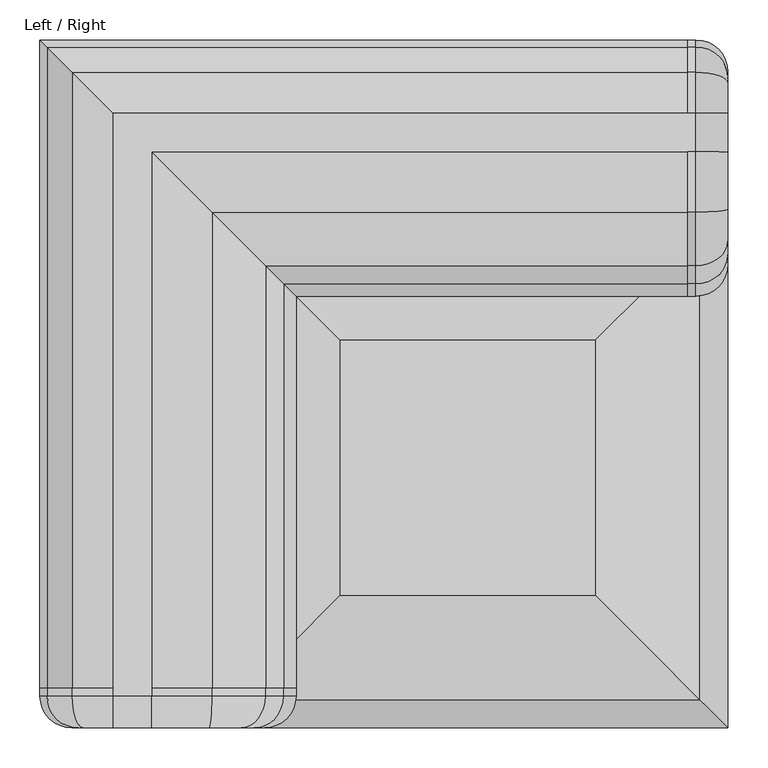
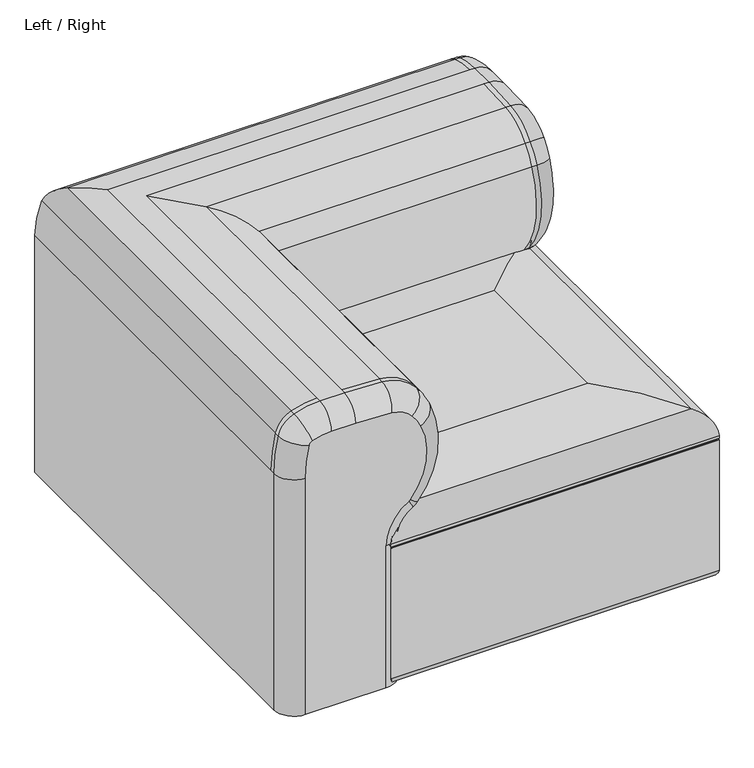
"""IFC4 building model written with IfcOpenShell, lengths in millimetres: furniture geometry, Left / Right."""

from ifc_helpers import new_model, si_unit, point, frame, frame_2d, origin, origin_with_axes, place, context, project, spatial, polyline, circle_curve, ellipse_curve, trimmed, segment, composite_curve, outline, extrude, source, transform, mapped, element, save
from ifc_brep_helpers import plane_surface, cylinder_surface, revolved_surface, advanced_brep


def left_right_24a7d9b7(model_context):
    return source(origin(), model_context, "Body", "SolidModel", [
        advanced_brep(
        [(860.0, -200.0, 25.0), (820.0, -240.0, 25.0), (240.0, -240.0, 25.0), (240.0, -820.0, 25.0), (200.0, -860.0, 25.0), (40.0, -860.0, 25.0), (0.0, -820.0, 25.0), (0.0, 0.0, 25.0), (820.0, 0.0, 25.0), (860.0, -40.0, 25.0), (860.0, -40.0, 520.0971421), (860.0, -47.7883578, 586.2689292), (860.0, -54.0888011, 593.3418233), (860.0, -91.7778918, 600.0), (860.0, -140.0193513, 600.0), (860.0, -211.4230155, 596.6382998), (860.0, -251.5115397, 575.7516627), (860.0, -268.1557528, 549.3060382), (860.0, -247.5141046, 402.315325), (860.0, -244.8690097, 400.0923137), (860.0, -200.0, 322.2258016), (820.0, -240.0, 322.2258016), (810.0, -240.0, 322.2258016), (240.0, -240.0, 322.2258016), (820.0, -264.9272276, 365.484975), (810.0, -264.9272276, 365.484975), (820.0, -278.1527024, 376.6000313), (810.0, -278.1527024, 376.6000313), (820.0, -304.6919644, 565.5880912), (810.0, -304.6919644, 565.5880912), (820.0, -281.99531, 601.6503064), (810.0, -281.99531, 601.6503064), (820.0, -215.1811031, 636.4613682), (810.0, -215.1811031, 636.4613682), (820.0, -140.0193513, 640.0), (810.0, -140.0193513, 640.0), (820.0, -91.7778918, 640.0), (810.0, -91.7778918, 640.0), (91.7778918, -91.7778918, 640.0), (91.7778918, -810.0, 640.0), (91.7778918, -820.0, 640.0), (140.0193513, -820.0, 640.0), (140.0193513, -810.0, 640.0), (140.0193513, -140.0193513, 640.0), (820.0, -40.3836772, 630.9206681), (810.0, -40.3836772, 630.9206681), (820.0, -8.8814606, 595.5561976), (810.0, -8.8814606, 595.5561976), (820.0, 0.0, 520.0971421), (810.0, 0.0, 520.0971421), (0.0, 0.0, 520.0971421), (8.8814606, -8.8814606, 595.5561976), (40.3836772, -40.3836772, 630.9206681), (215.1811031, -215.1811031, 636.4613682), (281.99531, -281.99531, 601.6503064), (304.6919644, -304.6919644, 565.5880912), (278.1527024, -278.1527024, 376.6000313), (264.9272276, -264.9272276, 365.484975), (0.0, -820.0, 520.0971421), (0.0, -810.0, 520.0971421), (8.8814606, -810.0, 595.5561976), (40.3836772, -810.0, 630.9206681), (215.1811031, -810.0, 636.4613682), (281.99531, -810.0, 601.6503064), (304.6919644, -810.0, 565.5880912), (278.1527024, -810.0, 376.6000313), (264.9272276, -810.0, 365.484975), (240.0, -810.0, 322.2258016), (240.0, -820.0, 322.2258016), (200.0, -860.0, 322.2258016), (244.8690097, -860.0, 400.0923137), (247.5141046, -860.0, 402.315325), (268.1557528, -860.0, 549.3060382), (251.5115397, -860.0, 575.7516627), (211.4230155, -860.0, 596.6382998), (140.0193513, -860.0, 600.0), (91.7778918, -860.0, 600.0), (54.0888011, -860.0, 593.3418233), (47.7883578, -860.0, 586.2689292), (40.0, -860.0, 520.0971421), (264.9272276, -820.0, 365.484975), (278.1527024, -820.0, 376.6000313), (304.6919644, -820.0, 565.5880912), (281.99531, -820.0, 601.6503064), (215.1811031, -820.0, 636.4613682), (40.3836772, -820.0, 630.9206681), (8.8814606, -820.0, 595.5561976)],
        [
            (0, 1, circle_curve(frame((820.0, -200.0, 25.0), z_axis=(0.0, 0.0, -1.0), x_axis=(1.0, 0.0, 0.0)), 40.0)),
            (1, 2),
            (2, 3),
            (3, 4, circle_curve(frame((200.0, -820.0, 25.0), z_axis=(0.0, 0.0, -1.0), x_axis=(0.0, -1.0, 0.0)), 40.0)),
            (4, 5),
            (5, 6, circle_curve(frame((40.0, -820.0, 25.0), z_axis=(0.0, 0.0, -1.0), x_axis=(0.0, -1.0, 0.0)), 40.0)),
            (6, 7),
            (7, 8),
            (8, 9, circle_curve(frame((820.0, -40.0, 25.0), z_axis=(0.0, 0.0, -1.0), x_axis=(1.0, 0.0, 0.0)), 40.0)),
            (9, 0),
            (9, 10),
            (10, 11, circle_curve(frame((860.0, -325.0, 520.0971421), z_axis=(1.0, 0.0, 0.0), x_axis=(0.0, 0.9726724288891785, 0.23218170918232572)), 285.0)),
            (11, 12, circle_curve(frame((860.0, -57.5150821, 583.9471121), z_axis=(1.0, 0.0, 0.0), x_axis=(0.0, 0.3426280969648097, 0.9394711209879061)), 10.0)),
            (12, 13, circle_curve(frame((860.0, -91.7778918, 490.0), z_axis=(1.0, 0.0, 0.0), x_axis=(0.0, 0.0, 1.0)), 110.0)),
            (13, 14),
            (14, 15, circle_curve(frame((860.0, -140.0193513, -160.0), z_axis=(1.0, 0.0, 0.0), x_axis=(0.0, -0.09395218974832444, 0.9955767102747507)), 760.0)),
            (15, 16, circle_curve(frame((860.0, -205.7858841, 536.9036972), z_axis=(1.0, 0.0, 0.0), x_axis=(0.0, -0.7620942588295695, 0.6474660922851552)), 60.0)),
            (16, 17, circle_curve(frame((860.0, -167.6811712, 504.5303926), z_axis=(1.0, 0.0, 0.0), x_axis=(0.0, -0.9134052877051051, 0.4070513240272708)), 110.0)),
            (17, 18, circle_curve(frame((860.0, -140.2790126, 492.3188529), z_axis=(1.0, 0.0, 0.0), x_axis=(0.0, -0.7659649434069681, -0.6428823418570152)), 140.0)),
            (18, 19, circle_curve(frame((860.0, -239.8544552, 408.7441484), z_axis=(1.0, 0.0, 0.0), x_axis=(0.0, -0.5014554478643385, -0.86518346829281)), 10.0)),
            (19, 20, circle_curve(frame((860.0, -290.0, 322.2258016), z_axis=(-1.0, 0.0, 0.0), x_axis=(0.0, 1.0, 0.0)), 90.0)),
            (20, 0),
            (20, 21, circle_curve(frame((820.0, -200.0, 322.2258016), z_axis=(0.0, 0.0, -1.0), x_axis=(1.0, 0.0, 0.0)), 40.0)),
            (21, 1),
            (21, 22),
            (22, 23),
            (23, 2),
            (19, 24, circle_curve(frame((820.0, -244.8690097, 400.0923137), z_axis=(0.0, 0.8651834682928066, -0.5014554478643445), x_axis=(1.0, 0.0, 0.0)), 40.0)),
            (24, 21, circle_curve(frame((820.0, -290.0, 322.2258016), z_axis=(-1.0, 0.0, 0.0), x_axis=(0.0, 1.0, 0.0)), 50.0)),
            (24, 25),
            (25, 22, circle_curve(frame((810.0, -290.0, 322.2258016), z_axis=(-1.0, 0.0, 0.0), x_axis=(0.0, 1.0, 0.0)), 50.0)),
            (18, 26, circle_curve(frame((820.0, -247.5141046, 402.315325), z_axis=(0.0, 0.6428823418570166, -0.7659649434069669), x_axis=(1.0, 0.0, 0.0)), 40.0)),
            (26, 24, circle_curve(frame((820.0, -239.8544552, 408.7441484), z_axis=(1.0, 0.0, 0.0), x_axis=(0.0, -0.5014554478643385, -0.86518346829281)), 50.0)),
            (26, 27),
            (27, 25, circle_curve(frame((810.0, -239.8544552, 408.7441484), z_axis=(1.0, 0.0, 0.0), x_axis=(0.0, -0.5014554478643385, -0.86518346829281)), 50.0)),
            (17, 28, circle_curve(frame((820.0, -268.1557528, 549.3060382), z_axis=(0.0, -0.40705132402727234, -0.9134052877051044), x_axis=(1.0, 0.0, 0.0)), 40.0)),
            (28, 26, circle_curve(frame((820.0, -140.2790126, 492.3188529), z_axis=(1.0, 0.0, 0.0), x_axis=(0.0, -0.7659649434069681, -0.6428823418570152)), 180.0)),
            (28, 29),
            (29, 27, circle_curve(frame((810.0, -140.2790126, 492.3188529), z_axis=(1.0, 0.0, 0.0), x_axis=(0.0, -0.7659649434069681, -0.6428823418570152)), 180.0)),
            (16, 30, circle_curve(frame((820.0, -251.5115397, 575.7516627), z_axis=(0.0, -0.6474660922851553, -0.7620942588295695), x_axis=(1.0, 0.0, 0.0)), 40.0)),
            (30, 28, circle_curve(frame((820.0, -167.6811712, 504.5303926), z_axis=(1.0, 0.0, 0.0), x_axis=(0.0, -0.9134052877051051, 0.4070513240272708)), 150.0)),
            (30, 31),
            (31, 29, circle_curve(frame((810.0, -167.6811712, 504.5303926), z_axis=(1.0, 0.0, 0.0), x_axis=(0.0, -0.9134052877051051, 0.4070513240272708)), 150.0)),
            (15, 32, circle_curve(frame((820.0, -211.4230155, 596.6382998), z_axis=(0.0, -0.9955767102747507, -0.09395218974832398), x_axis=(1.0, 0.0, 0.0)), 40.0)),
            (32, 30, circle_curve(frame((820.0, -205.7858841, 536.9036972), z_axis=(1.0, 0.0, 0.0), x_axis=(0.0, -0.7620942588295695, 0.6474660922851552)), 100.0)),
            (32, 33),
            (33, 31, circle_curve(frame((810.0, -205.7858841, 536.9036972), z_axis=(1.0, 0.0, 0.0), x_axis=(0.0, -0.7620942588295695, 0.6474660922851552)), 100.0)),
            (14, 34, circle_curve(frame((820.0, -140.0193513, 600.0), z_axis=(0.0, -1.0, 0.0), x_axis=(1.0, 0.0, 0.0)), 40.0)),
            (34, 32, circle_curve(frame((820.0, -140.0193513, -160.0), z_axis=(1.0, 0.0, 0.0), x_axis=(0.0, -0.09395218974832444, 0.9955767102747507)), 800.0)),
            (34, 35),
            (35, 33, circle_curve(frame((810.0, -140.0193513, -160.0), z_axis=(1.0, 0.0, 0.0), x_axis=(0.0, -0.09395218974832444, 0.9955767102747507)), 800.0)),
            (13, 36, circle_curve(frame((820.0, -91.7778918, 600.0), z_axis=(0.0, -1.0, 0.0), x_axis=(1.0, 0.0, 0.0)), 40.0)),
            (36, 34),
            (36, 37),
            (37, 38),
            (38, 39),
            (39, 40),
            (40, 41),
            (41, 42),
            (42, 43),
            (43, 35),
            (12, 44, circle_curve(frame((820.0, -54.0888011, 593.3418233), z_axis=(0.0, -0.9394711209879061, 0.3426280969648097), x_axis=(1.0, 0.0, 0.0)), 40.0)),
            (44, 36, circle_curve(frame((820.0, -91.7778918, 490.0), z_axis=(1.0, 0.0, 0.0), x_axis=(0.0, 0.0, 1.0)), 150.0)),
            (44, 45),
            (45, 37, circle_curve(frame((810.0, -91.7778918, 490.0), z_axis=(1.0, 0.0, 0.0), x_axis=(0.0, 0.0, 1.0)), 150.0)),
            (11, 46, circle_curve(frame((820.0, -47.7883578, 586.2689292), z_axis=(0.0, -0.23218170918231668, 0.9726724288891806), x_axis=(1.0, 0.0, 0.0)), 40.0)),
            (46, 44, circle_curve(frame((820.0, -57.5150821, 583.9471121), z_axis=(1.0, 0.0, 0.0), x_axis=(0.0, 0.3426280969648097, 0.9394711209879061)), 50.0)),
            (46, 47),
            (47, 45, circle_curve(frame((810.0, -57.5150821, 583.9471121), z_axis=(1.0, 0.0, 0.0), x_axis=(0.0, 0.3426280969648097, 0.9394711209879061)), 50.0)),
            (10, 48, circle_curve(frame((820.0, -40.0, 520.0971421), z_axis=(0.0, 0.0, 1.0), x_axis=(1.0, 0.0, 0.0)), 40.0)),
            (48, 46, circle_curve(frame((820.0, -325.0, 520.0971421), z_axis=(1.0, 0.0, 0.0), x_axis=(0.0, 0.9726724288891785, 0.23218170918232572)), 325.0)),
            (48, 49),
            (49, 47, circle_curve(frame((810.0, -325.0, 520.0971421), z_axis=(1.0, 0.0, 0.0), x_axis=(0.0, 0.9726724288891785, 0.23218170918232572)), 325.0)),
            (8, 48),
            (7, 50),
            (50, 49),
            (50, 51, ellipse_curve(frame((325.0, -325.0, 520.0971421), z_axis=(0.7071067811865475, 0.7071067811865475, 0.0), x_axis=(0.7071067811865476, -0.7071067811865474, 0.0)), 459.6194078, 325.0)),
            (51, 47),
            (51, 52, ellipse_curve(frame((57.5150821, -57.5150821, 583.9471121), z_axis=(0.7071067811865475, 0.7071067811865475, 0.0), x_axis=(0.7071067811865476, -0.7071067811865474, 0.0)), 70.7106781, 50.0)),
            (52, 45),
            (52, 38, ellipse_curve(frame((91.7778918, -91.7778918, 490.0), z_axis=(0.7071067811865475, 0.7071067811865475, 0.0), x_axis=(0.7071067811865476, -0.7071067811865474, 0.0)), 212.1320344, 150.0)),
            (43, 53, ellipse_curve(frame((140.0193513, -140.0193513, -160.0), z_axis=(0.7071067811865475, 0.7071067811865475, 0.0), x_axis=(0.7071067811865476, -0.7071067811865474, 0.0)), 1131.3708499, 800.0)),
            (53, 33),
            (53, 54, ellipse_curve(frame((205.7858841, -205.7858841, 536.9036972), z_axis=(0.7071067811865475, 0.7071067811865475, 0.0), x_axis=(0.7071067811865476, -0.7071067811865474, 0.0)), 141.4213562, 100.0)),
            (54, 31),
            (54, 55, ellipse_curve(frame((167.6811712, -167.6811712, 504.5303926), z_axis=(0.7071067811865475, 0.7071067811865475, 0.0), x_axis=(0.7071067811865476, -0.7071067811865474, 0.0)), 212.1320344, 150.0)),
            (55, 29),
            (55, 56, ellipse_curve(frame((140.2790126, -140.2790126, 492.3188529), z_axis=(0.7071067811865475, 0.7071067811865475, 0.0), x_axis=(0.7071067811865476, -0.7071067811865474, 0.0)), 254.5584412, 180.0)),
            (56, 27),
            (56, 57, ellipse_curve(frame((239.8544552, -239.8544552, 408.7441484), z_axis=(0.7071067811865475, 0.7071067811865475, 0.0), x_axis=(0.7071067811865476, -0.7071067811865474, 0.0)), 70.7106781, 50.0)),
            (57, 25),
            (57, 23, ellipse_curve(frame((290.0, -290.0, 322.2258016), z_axis=(-0.7071067811865475, -0.7071067811865475, 0.0), x_axis=(-0.7071067811865476, 0.7071067811865474, 0.0)), 70.7106781, 50.0)),
            (6, 58),
            (58, 59),
            (59, 50),
            (59, 60, circle_curve(frame((325.0, -810.0, 520.0971421), z_axis=(0.0, 1.0, 0.0), x_axis=(1.0, 0.0, 0.0)), 325.0)),
            (60, 51),
            (60, 61, circle_curve(frame((57.5150821, -810.0, 583.9471121), z_axis=(0.0, 1.0, 0.0), x_axis=(1.0, 0.0, 0.0)), 50.0)),
            (61, 52),
            (61, 39, circle_curve(frame((91.7778918, -810.0, 490.0), z_axis=(0.0, 1.0, 0.0), x_axis=(1.0, 0.0, 0.0)), 150.0)),
            (42, 62, circle_curve(frame((140.0193513, -810.0, -160.0), z_axis=(0.0, 1.0, 0.0), x_axis=(1.0, 0.0, 0.0)), 800.0)),
            (62, 53),
            (62, 63, circle_curve(frame((205.7858841, -810.0, 536.9036972), z_axis=(0.0, 1.0, 0.0), x_axis=(1.0, 0.0, 0.0)), 100.0)),
            (63, 54),
            (63, 64, circle_curve(frame((167.6811712, -810.0, 504.5303926), z_axis=(0.0, 1.0, 0.0), x_axis=(1.0, 0.0, 0.0)), 150.0)),
            (64, 55),
            (64, 65, circle_curve(frame((140.2790126, -810.0, 492.3188529), z_axis=(0.0, 1.0, 0.0), x_axis=(1.0, 0.0, 0.0)), 180.0)),
            (65, 56),
            (65, 66, circle_curve(frame((239.8544552, -810.0, 408.7441484), z_axis=(0.0, 1.0, 0.0), x_axis=(1.0, 0.0, 0.0)), 50.0)),
            (66, 57),
            (66, 67, circle_curve(frame((290.0, -810.0, 322.2258016), z_axis=(0.0, -1.0, 0.0), x_axis=(1.0, 0.0, 0.0)), 50.0)),
            (67, 23),
            (67, 68),
            (68, 3),
            (68, 69, circle_curve(frame((200.0, -820.0, 322.2258016), z_axis=(0.0, 0.0, -1.0), x_axis=(0.0, -1.0, 0.0)), 40.0)),
            (69, 4),
            (69, 70, circle_curve(frame((290.0, -860.0, 322.2258016), z_axis=(0.0, 1.0, 0.0), x_axis=(-1.0, 0.0, 0.0)), 90.0)),
            (70, 71, circle_curve(frame((239.8544552, -860.0, 408.7441484), z_axis=(0.0, -1.0, 0.0), x_axis=(0.5014554478643383, 0.0, -0.8651834682928101)), 10.0)),
            (71, 72, circle_curve(frame((140.2790126, -860.0, 492.3188529), z_axis=(0.0, -1.0, 0.0), x_axis=(0.7659649434069643, 0.0, -0.6428823418570198)), 140.0)),
            (72, 73, circle_curve(frame((167.6811712, -860.0, 504.5303926), z_axis=(0.0, -1.0, 0.0), x_axis=(0.9134052877051047, 0.0, 0.40705132402727173)), 110.0)),
            (73, 74, circle_curve(frame((205.7858841, -860.0, 536.9036972), z_axis=(0.0, -1.0, 0.0), x_axis=(0.7620942588295735, 0.0, 0.6474660922851505)), 60.0)),
            (74, 75, circle_curve(frame((140.0193513, -860.0, -160.0), z_axis=(0.0, -1.0, 0.0), x_axis=(0.09395218974833115, 0.0, 0.99557671027475)), 760.0)),
            (75, 76),
            (76, 77, circle_curve(frame((91.7778918, -860.0, 490.0), z_axis=(0.0, -1.0, 0.0), x_axis=(0.0, 0.0, 1.0)), 110.0)),
            (77, 78, circle_curve(frame((57.5150821, -860.0, 583.9471121), z_axis=(0.0, -1.0, 0.0), x_axis=(-0.3426280969648036, 0.0, 0.9394711209879083)), 10.0)),
            (78, 79, circle_curve(frame((325.0, -860.0, 520.0971421), z_axis=(0.0, -1.0, 0.0), x_axis=(-0.9726724288891769, 0.0, 0.23218170918233214)), 285.0)),
            (79, 5),
            (66, 80),
            (80, 68, circle_curve(frame((290.0, -820.0, 322.2258016), z_axis=(0.0, -1.0, 0.0), x_axis=(-1.0, 0.0, 0.0)), 50.0)),
            (80, 70, circle_curve(frame((244.8690097, -820.0, 400.0923137), z_axis=(-0.8651834682928036, 0.0, -0.5014554478643495), x_axis=(0.0, -1.0, 0.0)), 40.0)),
            (65, 81),
            (81, 80, circle_curve(frame((239.8544552, -820.0, 408.7441484), z_axis=(0.0, 1.0, 0.0), x_axis=(0.5014554478643383, 0.0, -0.8651834682928101)), 50.0)),
            (81, 71, circle_curve(frame((247.5141046, -820.0, 402.315325), z_axis=(-0.6428823418570321, 0.0, -0.765964943406954), x_axis=(0.0, -1.0, 0.0)), 40.0)),
            (64, 82),
            (82, 81, circle_curve(frame((140.2790126, -820.0, 492.3188529), z_axis=(0.0, 1.0, 0.0), x_axis=(0.7659649434069643, 0.0, -0.6428823418570198)), 180.0)),
            (82, 72, circle_curve(frame((268.1557528, -820.0, 549.3060382), z_axis=(0.4070513240272727, 0.0, -0.9134052877051042), x_axis=(0.0, -1.0, 0.0)), 40.0)),
            (63, 83),
            (83, 82, circle_curve(frame((167.6811712, -820.0, 504.5303926), z_axis=(0.0, 1.0, 0.0), x_axis=(0.9134052877051047, 0.0, 0.40705132402727173)), 150.0)),
            (83, 73, circle_curve(frame((251.5115397, -820.0, 575.7516627), z_axis=(0.6474660922851525, 0.0, -0.7620942588295718), x_axis=(0.0, -1.0, 0.0)), 40.0)),
            (62, 84),
            (84, 83, circle_curve(frame((205.7858841, -820.0, 536.9036972), z_axis=(0.0, 1.0, 0.0), x_axis=(0.7620942588295735, 0.0, 0.6474660922851505)), 100.0)),
            (84, 74, circle_curve(frame((211.4230155, -820.0, 596.6382998), z_axis=(0.9955767102747457, 0.0, -0.09395218974837771), x_axis=(0.0, -1.0, 0.0)), 40.0)),
            (41, 84, circle_curve(frame((140.0193513, -820.0, -160.0), z_axis=(0.0, 1.0, 0.0), x_axis=(0.09395218974833115, 0.0, 0.99557671027475)), 800.0)),
            (41, 75, circle_curve(frame((140.0193513, -820.0, 600.0), z_axis=(1.0, 0.0, 0.0), x_axis=(0.0, -1.0, 0.0)), 40.0)),
            (40, 76, circle_curve(frame((91.7778918, -820.0, 600.0), z_axis=(1.0, 0.0, 0.0), x_axis=(0.0, -1.0, 0.0)), 40.0)),
            (61, 85),
            (85, 40, circle_curve(frame((91.7778918, -820.0, 490.0), z_axis=(0.0, 1.0, 0.0), x_axis=(0.0, 0.0, 1.0)), 150.0)),
            (85, 77, circle_curve(frame((54.0888011, -820.0, 593.3418233), z_axis=(0.9394711209879067, 0.0, 0.34262809696480795), x_axis=(0.0, -1.0, 0.0)), 40.0)),
            (60, 86),
            (86, 85, circle_curve(frame((57.5150821, -820.0, 583.9471121), z_axis=(0.0, 1.0, 0.0), x_axis=(-0.3426280969648036, 0.0, 0.9394711209879083)), 50.0)),
            (86, 78, circle_curve(frame((47.7883578, -820.0, 586.2689292), z_axis=(0.2321817091823674, 0.0, 0.9726724288891684), x_axis=(0.0, -1.0, 0.0)), 40.0)),
            (58, 86, circle_curve(frame((325.0, -820.0, 520.0971421), z_axis=(0.0, 1.0, 0.0), x_axis=(-0.9726724288891769, 0.0, 0.23218170918233214)), 325.0)),
            (58, 79, circle_curve(frame((40.0, -820.0, 520.0971421), z_axis=(0.0, 0.0, 1.0), x_axis=(0.0, -1.0, 0.0)), 40.0)),
        ],
        [
            plane_surface(frame((0.0, -240.0, 25.0), z_axis=(0.0, 0.0, -1.0), x_axis=(1.0, 0.0, 0.0))),
            plane_surface(frame((860.0, -195.0, 25.0), z_axis=(1.0, 0.0, 0.0), x_axis=(0.0, 0.0, 1.0))),
            cylinder_surface(frame((820.0, -200.0, 25.0), z_axis=(0.0, 0.0, -1.0), x_axis=(1.0, 0.0, 0.0)), 40.0),
            plane_surface(frame((820.0, -240.0, 25.0), z_axis=(0.0, -1.0, 0.0), x_axis=(0.0, 0.0, 1.0))),
            revolved_surface(trimmed(ellipse_curve(frame((820.0, -200.0, 322.2258016), z_axis=(0.0, 0.0, -1.0), x_axis=(1.0, 0.0, 0.0)), 40.0, 40.0), [point((860.0, -200.0, 322.2258016))], [point((820.0, -240.0, 322.2258016))], True, "CARTESIAN"), (0.0, -290.0, 322.2258016), (1.0, 0.0, 0.0)),
            revolved_surface(polyline([(820.0, -240.0, 322.2258016), (810.0, -240.0, 322.2258016)]), (0.0, -290.0, 322.2258016), (1.0, 0.0, 0.0)),
            revolved_surface(trimmed(ellipse_curve(frame((820.0, -244.8690097, 400.0923137), z_axis=(0.0, 0.8651834682928099, -0.5014554478643386), x_axis=(1.0, 0.0, 0.0)), 40.0, 40.0), [point((860.0, -244.8690097, 400.0923137))], [point((820.0, -264.9272276, 365.484975))], True, "CARTESIAN"), (0.0, -239.8544552, 408.7441484), (-1.0, 0.0, 0.0)),
            cylinder_surface(frame((0.0, -239.8544552, 408.7441484), z_axis=(-1.0, 0.0, 0.0), x_axis=(0.0, -0.5014554478643385, -0.86518346829281)), 50.0),
            revolved_surface(trimmed(ellipse_curve(frame((820.0, -247.5141046, 402.315325), z_axis=(0.0, 0.6428823418570151, -0.7659649434069682), x_axis=(1.0, 0.0, 0.0)), 40.0, 40.0), [point((860.0, -247.5141046, 402.315325))], [point((820.0, -278.1527024, 376.6000313))], True, "CARTESIAN"), (0.0, -140.2790126, 492.3188529), (-1.0, 0.0, 0.0)),
            cylinder_surface(frame((0.0, -140.2790126, 492.3188529), z_axis=(-1.0, 0.0, 0.0), x_axis=(0.0, -0.7659649434069681, -0.6428823418570152)), 180.0),
            revolved_surface(trimmed(ellipse_curve(frame((820.0, -268.1557528, 549.3060382), z_axis=(0.0, -0.4070513240272708, -0.9134052877051051), x_axis=(1.0, 0.0, 0.0)), 40.0, 40.0), [point((860.0, -268.1557528, 549.3060382))], [point((820.0, -304.6919644, 565.5880912))], True, "CARTESIAN"), (0.0, -167.6811712, 504.5303926), (-1.0, 0.0, 0.0)),
            cylinder_surface(frame((0.0, -167.6811712, 504.5303926), z_axis=(-1.0, 0.0, 0.0), x_axis=(0.0, -0.9134052877051051, 0.4070513240272708)), 150.0),
            revolved_surface(trimmed(ellipse_curve(frame((820.0, -251.5115397, 575.7516627), z_axis=(0.0, -0.6474660922851553, -0.7620942588295694), x_axis=(1.0, 0.0, 0.0)), 40.0, 40.0), [point((860.0, -251.5115397, 575.7516627))], [point((820.0, -281.99531, 601.6503064))], True, "CARTESIAN"), (0.0, -205.7858841, 536.9036972), (-1.0, 0.0, 0.0)),
            cylinder_surface(frame((0.0, -205.7858841, 536.9036972), z_axis=(-1.0, 0.0, 0.0), x_axis=(0.0, -0.7620942588295695, 0.6474660922851552)), 100.0),
            revolved_surface(trimmed(ellipse_curve(frame((820.0, -211.4230155, 596.6382998), z_axis=(0.0, -0.9955767102747507, -0.0939521897483242), x_axis=(1.0, 0.0, 0.0)), 40.0, 40.0), [point((860.0, -211.4230155, 596.6382998))], [point((820.0, -215.1811031, 636.4613682))], True, "CARTESIAN"), (0.0, -140.0193513, -160.0), (-1.0, 0.0, 0.0)),
            cylinder_surface(frame((0.0, -140.0193513, -160.0), z_axis=(-1.0, 0.0, 0.0), x_axis=(0.0, -0.09395218974832444, 0.9955767102747507)), 800.0),
            cylinder_surface(frame((820.0, -140.0193513, 600.0), z_axis=(0.0, -1.0, 0.0), x_axis=(1.0, 0.0, 0.0)), 40.0),
            plane_surface(frame((820.0, -140.0193513, 640.0), z_axis=(0.0, 0.0, 1.0), x_axis=(0.0, 1.0, 0.0))),
            revolved_surface(trimmed(ellipse_curve(frame((820.0, -91.7778918, 600.0), z_axis=(0.0, -1.0, 0.0), x_axis=(1.0, 0.0, 0.0)), 40.0, 40.0), [point((860.0, -91.7778918, 600.0))], [point((820.0, -91.7778918, 640.0))], True, "CARTESIAN"), (0.0, -91.7778918, 490.0), (-1.0, 0.0, 0.0)),
            cylinder_surface(frame((0.0, -91.7778918, 490.0), z_axis=(-1.0, 0.0, 0.0), x_axis=(0.0, 0.0, 1.0)), 150.0),
            revolved_surface(trimmed(ellipse_curve(frame((820.0, -54.0888011, 593.3418233), z_axis=(0.0, -0.939471120987906, 0.34262809696481017), x_axis=(1.0, 0.0, 0.0)), 40.0, 40.0), [point((860.0, -54.0888011, 593.3418233))], [point((820.0, -40.3836772, 630.9206681))], True, "CARTESIAN"), (0.0, -57.5150821, 583.9471121), (-1.0, 0.0, 0.0)),
            cylinder_surface(frame((0.0, -57.5150821, 583.9471121), z_axis=(-1.0, 0.0, 0.0), x_axis=(0.0, 0.3426280969648097, 0.9394711209879061)), 50.0),
            revolved_surface(trimmed(ellipse_curve(frame((820.0, -47.7883578, 586.2689292), z_axis=(0.0, -0.23218170918232559, 0.9726724288891785), x_axis=(1.0, 0.0, 0.0)), 40.0, 40.0), [point((860.0, -47.7883578, 586.2689292))], [point((820.0, -8.8814606, 595.5561976))], True, "CARTESIAN"), (0.0, -325.0, 520.0971421), (-1.0, 0.0, 0.0)),
            cylinder_surface(frame((0.0, -325.0, 520.0971421), z_axis=(-1.0, 0.0, 0.0), x_axis=(0.0, 0.9726724288891785, 0.23218170918232572)), 325.0),
            cylinder_surface(frame((820.0, -40.0, 520.0971421), z_axis=(0.0, 0.0, 1.0), x_axis=(1.0, 0.0, 0.0)), 40.0),
            plane_surface(frame((820.0, 0.0, 520.0971421), z_axis=(0.0, 1.0, 0.0), x_axis=(0.0, 0.0, -1.0))),
            cylinder_surface(frame((810.0, -325.0, 520.0971421), z_axis=(1.0, 0.0, 0.0), x_axis=(0.0, -1.0, 0.0)), 325.0),
            cylinder_surface(frame((810.0, -57.5150821, 583.9471121), z_axis=(1.0, 0.0, 0.0), x_axis=(0.0, -1.0, 0.0)), 50.0),
            cylinder_surface(frame((810.0, -91.7778918, 490.0), z_axis=(1.0, 0.0, 0.0), x_axis=(0.0, -1.0, 0.0)), 150.0),
            cylinder_surface(frame((810.0, -140.0193513, -160.0), z_axis=(1.0, 0.0, 0.0), x_axis=(0.0, -1.0, 0.0)), 800.0),
            cylinder_surface(frame((810.0, -205.7858841, 536.9036972), z_axis=(1.0, 0.0, 0.0), x_axis=(0.0, -1.0, 0.0)), 100.0),
            cylinder_surface(frame((810.0, -167.6811712, 504.5303926), z_axis=(1.0, 0.0, 0.0), x_axis=(0.0, -1.0, 0.0)), 150.0),
            cylinder_surface(frame((810.0, -140.2790126, 492.3188529), z_axis=(1.0, 0.0, 0.0), x_axis=(0.0, -1.0, 0.0)), 180.0),
            cylinder_surface(frame((810.0, -239.8544552, 408.7441484), z_axis=(1.0, 0.0, 0.0), x_axis=(0.0, -1.0, 0.0)), 50.0),
            revolved_surface(polyline([(240.0, -340.0, 322.2258016), (810.0, -340.0, 322.2258016)]), (810.0, -290.0, 322.2258016), (-1.0, 0.0, 0.0)),
            plane_surface(frame((0.0, 0.0, 25.0), z_axis=(-1.0, 0.0, 0.0), x_axis=(0.0, -1.0, 0.0))),
            cylinder_surface(frame((325.0, 0.0, 520.0971421), z_axis=(0.0, 1.0, 0.0), x_axis=(1.0, 0.0, 0.0)), 325.0),
            cylinder_surface(frame((57.5150821, 0.0, 583.9471121), z_axis=(0.0, 1.0, 0.0), x_axis=(1.0, 0.0, 0.0)), 50.0),
            cylinder_surface(frame((91.7778918, 0.0, 490.0), z_axis=(0.0, 1.0, 0.0), x_axis=(1.0, 0.0, 0.0)), 150.0),
            cylinder_surface(frame((140.0193513, 0.0, -160.0), z_axis=(0.0, 1.0, 0.0), x_axis=(1.0, 0.0, 0.0)), 800.0),
            cylinder_surface(frame((205.7858841, 0.0, 536.9036972), z_axis=(0.0, 1.0, 0.0), x_axis=(1.0, 0.0, 0.0)), 100.0),
            cylinder_surface(frame((167.6811712, 0.0, 504.5303926), z_axis=(0.0, 1.0, 0.0), x_axis=(1.0, 0.0, 0.0)), 150.0),
            cylinder_surface(frame((140.2790126, 0.0, 492.3188529), z_axis=(0.0, 1.0, 0.0), x_axis=(1.0, 0.0, 0.0)), 180.0),
            cylinder_surface(frame((239.8544552, 0.0, 408.7441484), z_axis=(0.0, 1.0, 0.0), x_axis=(1.0, 0.0, 0.0)), 50.0),
            revolved_surface(polyline([(340.0, -810.0, 322.2258016), (340.0, -240.0, 322.2258016)]), (290.0, 0.0, 322.2258016), (0.0, -1.0, 0.0)),
            plane_surface(frame((240.0, -240.0, 322.2258016), z_axis=(1.0, 0.0, 0.0), x_axis=(0.0, -1.0, 0.0))),
            cylinder_surface(frame((200.0, -820.0, 25.0), z_axis=(0.0, 0.0, -1.0), x_axis=(0.0, -1.0, 0.0)), 40.0),
            plane_surface(frame((200.0, -860.0, 25.0), z_axis=(0.0, -1.0, 0.0), x_axis=(0.0, 0.0, 1.0))),
            revolved_surface(polyline([(240.0, -810.0, 322.2258016), (240.0, -820.0, 322.2258016)]), (290.0, -810.0, 322.2258016), (0.0, 1.0, 0.0)),
            revolved_surface(trimmed(ellipse_curve(frame((200.0, -820.0, 322.2258016), z_axis=(0.0, 0.0, -1.0), x_axis=(0.0, -1.0, 0.0)), 40.0, 40.0), [point((240.0, -820.0, 322.2258016))], [point((200.0, -860.0, 322.2258016))], True, "CARTESIAN"), (290.0, -810.0, 322.2258016), (0.0, 1.0, 0.0)),
            cylinder_surface(frame((239.8544552, -810.0, 408.7441484), z_axis=(0.0, -1.0, 0.0), x_axis=(0.5014554478643383, 0.0, -0.8651834682928101)), 50.0),
            revolved_surface(trimmed(ellipse_curve(frame((244.8690097, -820.0, 400.0923137), z_axis=(-0.8651834682928099, 0.0, -0.5014554478643386), x_axis=(0.0, -1.0, 0.0)), 40.0, 40.0), [point((264.9272276, -820.0, 365.484975))], [point((244.8690097, -860.0, 400.0923137))], True, "CARTESIAN"), (239.8544552, -810.0, 408.7441484), (0.0, -1.0, 0.0)),
            cylinder_surface(frame((140.2790126, -810.0, 492.3188529), z_axis=(0.0, -1.0, 0.0), x_axis=(0.7659649434069643, 0.0, -0.6428823418570198)), 180.0),
            revolved_surface(trimmed(ellipse_curve(frame((247.5141046, -820.0, 402.315325), z_axis=(-0.6428823418570195, 0.0, -0.7659649434069645), x_axis=(0.0, -1.0, 0.0)), 40.0, 40.0), [point((278.1527024, -820.0, 376.6000313))], [point((247.5141046, -860.0, 402.315325))], True, "CARTESIAN"), (140.2790126, -810.0, 492.3188529), (0.0, -1.0, 0.0)),
            cylinder_surface(frame((167.6811712, -810.0, 504.5303926), z_axis=(0.0, -1.0, 0.0), x_axis=(0.9134052877051047, 0.0, 0.40705132402727173)), 150.0),
            revolved_surface(trimmed(ellipse_curve(frame((268.1557528, -820.0, 549.3060382), z_axis=(0.40705132402727207, 0.0, -0.9134052877051045), x_axis=(0.0, -1.0, 0.0)), 40.0, 40.0), [point((304.6919644, -820.0, 565.5880912))], [point((268.1557528, -860.0, 549.3060382))], True, "CARTESIAN"), (167.6811712, -810.0, 504.5303926), (0.0, -1.0, 0.0)),
            cylinder_surface(frame((205.7858841, -810.0, 536.9036972), z_axis=(0.0, -1.0, 0.0), x_axis=(0.7620942588295735, 0.0, 0.6474660922851505)), 100.0),
            revolved_surface(trimmed(ellipse_curve(frame((251.5115397, -820.0, 575.7516627), z_axis=(0.6474660922851507, 0.0, -0.7620942588295733), x_axis=(0.0, -1.0, 0.0)), 40.0, 40.0), [point((281.99531, -820.0, 601.6503064))], [point((251.5115397, -860.0, 575.7516627))], True, "CARTESIAN"), (205.7858841, -810.0, 536.9036972), (0.0, -1.0, 0.0)),
            cylinder_surface(frame((140.0193513, -810.0, -160.0), z_axis=(0.0, -1.0, 0.0), x_axis=(0.09395218974833115, 0.0, 0.99557671027475)), 800.0),
            revolved_surface(trimmed(ellipse_curve(frame((211.4230155, -820.0, 596.6382998), z_axis=(0.99557671027475, 0.0, -0.09395218974833085), x_axis=(0.0, -1.0, 0.0)), 40.0, 40.0), [point((215.1811031, -820.0, 636.4613682))], [point((211.4230155, -860.0, 596.6382998))], True, "CARTESIAN"), (140.0193513, -810.0, -160.0), (0.0, -1.0, 0.0)),
            cylinder_surface(frame((140.0193513, -820.0, 600.0), z_axis=(1.0, 0.0, 0.0), x_axis=(0.0, -1.0, 0.0)), 40.0),
            cylinder_surface(frame((91.7778918, -810.0, 490.0), z_axis=(0.0, -1.0, 0.0), x_axis=(0.0, 0.0, 1.0)), 150.0),
            revolved_surface(trimmed(ellipse_curve(frame((91.7778918, -820.0, 600.0), z_axis=(1.0, 0.0, 0.0), x_axis=(0.0, -1.0, 0.0)), 40.0, 40.0), [point((91.7778918, -820.0, 640.0))], [point((91.7778918, -860.0, 600.0))], True, "CARTESIAN"), (91.7778918, -810.0, 490.0), (0.0, -1.0, 0.0)),
            cylinder_surface(frame((57.5150821, -810.0, 583.9471121), z_axis=(0.0, -1.0, 0.0), x_axis=(-0.3426280969648036, 0.0, 0.9394711209879083)), 50.0),
            revolved_surface(trimmed(ellipse_curve(frame((54.0888011, -820.0, 593.3418233), z_axis=(0.9394711209879082, 0.0, 0.3426280969648039), x_axis=(0.0, -1.0, 0.0)), 40.0, 40.0), [point((40.3836772, -820.0, 630.9206681))], [point((54.0888011, -860.0, 593.3418233))], True, "CARTESIAN"), (57.5150821, -810.0, 583.9471121), (0.0, -1.0, 0.0)),
            cylinder_surface(frame((325.0, -810.0, 520.0971421), z_axis=(0.0, -1.0, 0.0), x_axis=(-0.9726724288891769, 0.0, 0.23218170918233214)), 325.0),
            revolved_surface(trimmed(ellipse_curve(frame((47.7883578, -820.0, 586.2689292), z_axis=(0.23218170918233164, 0.0, 0.972672428889177), x_axis=(0.0, -1.0, 0.0)), 40.0, 40.0), [point((8.8814606, -820.0, 595.5561976))], [point((47.7883578, -860.0, 586.2689292))], True, "CARTESIAN"), (325.0, -810.0, 520.0971421), (0.0, -1.0, 0.0)),
            cylinder_surface(frame((40.0, -820.0, 520.0971421), z_axis=(0.0, 0.0, 1.0), x_axis=(0.0, -1.0, 0.0)), 40.0),
        ],
        [
            (0, [[1, 2, 3, 4, 5, 6, 7, 8, 9, 10]]),
            (1, [[11, 12, 13, 14, 15, 16, 17, 18, 19, 20, 21, 22, -10]]),
            (2, [[-1, -22, 23, 24]]),
            (3, [[-24, 25, 26, 27, -2]]),
            (4, [[-21, 28, 29, -23]]),
            (5, [[-25, -29, 30, 31]]),
            (6, [[-20, 32, 33, -28]]),
            (7, [[-30, -33, 34, 35]]),
            (8, [[-19, 36, 37, -32]]),
            (9, [[-34, -37, 38, 39]]),
            (10, [[-18, 40, 41, -36]]),
            (11, [[-38, -41, 42, 43]]),
            (12, [[-17, 44, 45, -40]]),
            (13, [[-42, -45, 46, 47]]),
            (14, [[-16, 48, 49, -44]]),
            (15, [[-46, -49, 50, 51]]),
            (16, [[-15, 52, 53, -48]]),
            (17, [[-50, -53, 54, 55, 56, 57, 58, 59, 60, 61]]),
            (18, [[-14, 62, 63, -52]]),
            (19, [[-54, -63, 64, 65]]),
            (20, [[-13, 66, 67, -62]]),
            (21, [[-64, -67, 68, 69]]),
            (22, [[-12, 70, 71, -66]]),
            (23, [[-68, -71, 72, 73]]),
            (24, [[-9, 74, -70, -11]]),
            (25, [[-72, -74, -8, 75, 76]]),
            (26, [[-76, 77, 78, -73]]),
            (27, [[-78, 79, 80, -69]]),
            (28, [[-80, 81, -55, -65]]),
            (29, [[-61, 82, 83, -51]]),
            (30, [[-83, 84, 85, -47]]),
            (31, [[-85, 86, 87, -43]]),
            (32, [[-87, 88, 89, -39]]),
            (33, [[-89, 90, 91, -35]]),
            (34, [[-91, 92, -26, -31]]),
            (35, [[-75, -7, 93, 94, 95]]),
            (36, [[-77, -95, 96, 97]]),
            (37, [[-79, -97, 98, 99]]),
            (38, [[-81, -99, 100, -56]]),
            (39, [[-60, 101, 102, -82]]),
            (40, [[-84, -102, 103, 104]]),
            (41, [[-86, -104, 105, 106]]),
            (42, [[-88, -106, 107, 108]]),
            (43, [[-90, -108, 109, 110]]),
            (44, [[-92, -110, 111, 112]]),
            (45, [[-27, -112, 113, 114, -3]]),
            (46, [[-4, -114, 115, 116]]),
            (47, [[-5, -116, 117, 118, 119, 120, 121, 122, 123, 124, 125, 126, 127]]),
            (48, [[-113, -111, 128, 129]]),
            (49, [[-115, -129, 130, -117]]),
            (50, [[-128, -109, 131, 132]]),
            (51, [[-118, -130, -132, 133]]),
            (52, [[-131, -107, 134, 135]]),
            (53, [[-119, -133, -135, 136]]),
            (54, [[-134, -105, 137, 138]]),
            (55, [[-120, -136, -138, 139]]),
            (56, [[-137, -103, 140, 141]]),
            (57, [[-121, -139, -141, 142]]),
            (58, [[-140, -101, -59, 143]]),
            (59, [[-122, -142, -143, 144]]),
            (60, [[-123, -144, -58, 145]]),
            (61, [[-57, -100, 146, 147]]),
            (62, [[-124, -145, -147, 148]]),
            (63, [[-146, -98, 149, 150]]),
            (64, [[-125, -148, -150, 151]]),
            (65, [[-149, -96, -94, 152]]),
            (66, [[-126, -151, -152, 153]]),
            (67, [[-127, -153, -93, -6]]),
        ],
    ),
        advanced_brep(
        [(210.2526316, -859.7473684, 314.5703509), (210.0, -860.0, 313.8338096), (860.0, -860.0, 313.8338096), (859.7473684, -859.7473684, 314.5703509), (859.7473684, -859.7473684, 315.4296491), (210.2526316, -859.7473684, 315.4296491), (860.0, -860.0, 316.1661904), (210.0, -860.0, 316.1661904), (860.0, -860.0, 322.2258016), (210.0, -860.0, 322.2258016), (825.0952261, -825.0952261, 369.8927099), (244.9047739, -825.0952261, 369.8927099), (695.0, -695.0, 390.0), (375.0, -695.0, 390.0), (210.0, -860.0, 40.0), (860.0, -860.0, 40.0), (860.0, -210.0, 313.8338096), (859.7473684, -210.2526316, 314.5703509), (859.7473684, -210.2526316, 315.4296491), (860.0, -210.0, 316.1661904), (860.0, -210.0, 322.2258016), (825.0952261, -244.9047739, 369.8927099), (695.0, -375.0, 390.0), (860.0, -210.0, 40.0), (210.0, -210.0, 313.8338096), (210.2526316, -210.2526316, 314.5703509), (210.2526316, -210.2526316, 315.4296491), (210.0, -210.0, 316.1661904), (210.0, -210.0, 322.2258016), (244.9047739, -244.9047739, 369.8927099), (375.0, -375.0, 390.0), (210.0, -210.0, 40.0), (225.0, -845.0, 25.0), (225.0, -225.0, 25.0), (845.0, -225.0, 25.0), (845.0, -845.0, 25.0)],
        [
            (0, 1, ellipse_curve(frame((211.2, -858.8, 313.8338096), z_axis=(0.7071067811865475, -0.7071067811865475, 0.0), x_axis=(-0.7071067811865476, -0.7071067811865474, 0.0)), 1.6970563, 1.2)),
            (1, 2),
            (2, 3, ellipse_curve(frame((858.8, -858.8, 313.8338096), z_axis=(-0.7071067811865475, -0.7071067811865475, 0.0), x_axis=(-0.7071067811865476, 0.7071067811865474, 0.0)), 1.6970563, 1.2)),
            (3, 0),
            (3, 4, ellipse_curve(frame((860.3, -860.3, 315.0), z_axis=(0.7071067811865475, 0.7071067811865475, 0.0), x_axis=(0.7071067811865476, -0.7071067811865474, 0.0)), 0.9899495, 0.7)),
            (4, 5),
            (5, 0, ellipse_curve(frame((209.7, -860.3, 315.0), z_axis=(-0.7071067811865475, 0.7071067811865475, 0.0), x_axis=(0.7071067811865476, 0.7071067811865474, 0.0)), 0.9899495, 0.7)),
            (4, 6, ellipse_curve(frame((858.8, -858.8, 316.1661904), z_axis=(-0.7071067811865475, -0.7071067811865475, 0.0), x_axis=(-0.7071067811865476, 0.7071067811865474, 0.0)), 1.6970563, 1.2)),
            (6, 7),
            (7, 5, ellipse_curve(frame((211.2, -858.8, 316.1661904), z_axis=(0.7071067811865475, -0.7071067811865475, 0.0), x_axis=(-0.7071067811865476, -0.7071067811865474, 0.0)), 1.6970563, 1.2)),
            (6, 8),
            (8, 9),
            (9, 7),
            (8, 10, ellipse_curve(frame((810.0, -810.0, 322.2258016), z_axis=(-0.7071067811865475, -0.7071067811865475, 0.0), x_axis=(-0.7071067811865476, 0.7071067811865474, 0.0)), 70.7106781, 50.0)),
            (10, 11),
            (11, 9, ellipse_curve(frame((260.0, -810.0, 322.2258016), z_axis=(0.7071067811865475, -0.7071067811865475, 0.0), x_axis=(-0.7071067811865476, -0.7071067811865474, 0.0)), 70.7106781, 50.0)),
            (10, 12, ellipse_curve(frame((695.0, -695.0, -40.915128), z_axis=(-0.7071067811865475, -0.7071067811865475, 0.0), x_axis=(-0.7071067811865476, 0.7071067811865474, 0.0)), 609.4060183, 430.915128)),
            (12, 13),
            (13, 11, ellipse_curve(frame((375.0, -695.0, -40.915128), z_axis=(0.7071067811865475, -0.7071067811865475, 0.0), x_axis=(-0.7071067811865476, -0.7071067811865474, 0.0)), 609.4060183, 430.915128)),
            (1, 14),
            (14, 15),
            (15, 2),
            (2, 16),
            (16, 17, ellipse_curve(frame((858.8, -211.2, 313.8338096), z_axis=(0.7071067811865475, -0.7071067811865475, 0.0), x_axis=(-0.7071067811865474, -0.7071067811865476, 0.0)), 1.6970563, 1.2)),
            (17, 3),
            (17, 18, ellipse_curve(frame((860.3, -209.7, 315.0), z_axis=(-0.7071067811865475, 0.7071067811865475, 0.0), x_axis=(0.7071067811865474, 0.7071067811865476, 0.0)), 0.9899495, 0.7)),
            (18, 4),
            (18, 19, ellipse_curve(frame((858.8, -211.2, 316.1661904), z_axis=(0.7071067811865475, -0.7071067811865475, 0.0), x_axis=(-0.7071067811865474, -0.7071067811865476, 0.0)), 1.6970563, 1.2)),
            (19, 6),
            (19, 20),
            (20, 8),
            (20, 21, ellipse_curve(frame((810.0, -260.0, 322.2258016), z_axis=(0.7071067811865475, -0.7071067811865475, 0.0), x_axis=(-0.7071067811865474, -0.7071067811865476, 0.0)), 70.7106781, 50.0)),
            (21, 10),
            (21, 22, ellipse_curve(frame((695.0, -375.0, -40.915128), z_axis=(0.7071067811865475, -0.7071067811865475, 0.0), x_axis=(-0.7071067811865474, -0.7071067811865476, 0.0)), 609.4060183, 430.915128)),
            (22, 12),
            (15, 23),
            (23, 16),
            (16, 24),
            (24, 25, ellipse_curve(frame((211.2, -211.2, 313.8338096), z_axis=(0.7071067811865475, 0.7071067811865475, 0.0), x_axis=(0.7071067811865476, -0.7071067811865474, 0.0)), 1.6970563, 1.2)),
            (25, 17),
            (25, 26, ellipse_curve(frame((209.7, -209.7, 315.0), z_axis=(-0.7071067811865475, -0.7071067811865475, 0.0), x_axis=(-0.7071067811865476, 0.7071067811865474, 0.0)), 0.9899495, 0.7)),
            (26, 18),
            (26, 27, ellipse_curve(frame((211.2, -211.2, 316.1661904), z_axis=(0.7071067811865475, 0.7071067811865475, 0.0), x_axis=(0.7071067811865476, -0.7071067811865474, 0.0)), 1.6970563, 1.2)),
            (27, 19),
            (27, 28),
            (28, 20),
            (28, 29, ellipse_curve(frame((260.0, -260.0, 322.2258016), z_axis=(0.7071067811865475, 0.7071067811865475, 0.0), x_axis=(0.7071067811865476, -0.7071067811865474, 0.0)), 70.7106781, 50.0)),
            (29, 21),
            (29, 30, ellipse_curve(frame((375.0, -375.0, -40.915128), z_axis=(0.7071067811865475, 0.7071067811865475, 0.0), x_axis=(0.7071067811865476, -0.7071067811865474, 0.0)), 609.4060183, 430.915128)),
            (30, 22),
            (23, 31),
            (31, 24),
            (0, 25),
            (24, 1),
            (5, 26),
            (7, 27),
            (9, 28),
            (11, 29),
            (13, 30),
            (32, 33),
            (33, 34),
            (34, 35),
            (35, 32),
            (31, 14),
            (14, 32, ellipse_curve(frame((225.0, -845.0, 40.0), z_axis=(0.7071067811865475, -0.7071067811865475, 0.0), x_axis=(-0.7071067811865476, -0.7071067811865474, 0.0)), 21.2132034, 15.0)),
            (35, 15, ellipse_curve(frame((845.0, -845.0, 40.0), z_axis=(-0.7071067811865475, -0.7071067811865475, 0.0), x_axis=(-0.7071067811865476, 0.7071067811865474, 0.0)), 21.2132034, 15.0)),
            (34, 23, ellipse_curve(frame((845.0, -225.0, 40.0), z_axis=(0.7071067811865475, -0.7071067811865475, 0.0), x_axis=(-0.7071067811865474, -0.7071067811865476, 0.0)), 21.2132034, 15.0)),
            (33, 31, ellipse_curve(frame((225.0, -225.0, 40.0), z_axis=(0.7071067811865475, 0.7071067811865475, 0.0), x_axis=(0.7071067811865476, -0.7071067811865474, 0.0)), 21.2132034, 15.0)),
        ],
        [
            cylinder_surface(frame((210.0, -858.8, 313.8338096), z_axis=(-1.0, 0.0, 0.0), x_axis=(0.0, 1.0, 0.0)), 1.2),
            revolved_surface(polyline([(861.0000000044822, -859.5999999999999, 315.0), (208.99999999551775, -859.5999999999999, 315.0)]), (210.0, -860.3, 315.0), (1.0, 0.0, 0.0)),
            cylinder_surface(frame((210.0, -858.8, 316.1661904), z_axis=(-1.0, 0.0, 0.0), x_axis=(0.0, 1.0, 0.0)), 1.2),
            plane_surface(frame((210.0, -860.0, 316.1661904), z_axis=(0.0, -1.0, 0.0), x_axis=(1.0, 0.0, 0.0))),
            cylinder_surface(frame((210.0, -810.0, 322.2258016), z_axis=(-1.0, 0.0, 0.0), x_axis=(0.0, 1.0, 0.0)), 50.0),
            cylinder_surface(frame((210.0, -695.0, -40.915128), z_axis=(-1.0, 0.0, 0.0), x_axis=(0.0, 1.0, 0.0)), 430.915128),
            plane_surface(frame((210.0, -860.0, 40.0), z_axis=(0.0, -1.0, 0.0), x_axis=(1.0, 0.0, 0.0))),
            cylinder_surface(frame((858.8, -860.0, 313.8338096), z_axis=(0.0, -1.0, 0.0), x_axis=(-1.0, 0.0, 0.0)), 1.2),
            revolved_surface(polyline([(859.5999999999999, -208.99999999551778, 315.0), (859.5999999999999, -861.0000000044822, 315.0)]), (860.3, -860.0, 315.0), (0.0, 1.0, 0.0)),
            cylinder_surface(frame((858.8, -860.0, 316.1661904), z_axis=(0.0, -1.0, 0.0), x_axis=(-1.0, 0.0, 0.0)), 1.2),
            plane_surface(frame((860.0, -860.0, 316.1661904), z_axis=(1.0, 0.0, 0.0), x_axis=(0.0, 1.0, 0.0))),
            cylinder_surface(frame((810.0, -860.0, 322.2258016), z_axis=(0.0, -1.0, 0.0), x_axis=(-1.0, 0.0, 0.0)), 50.0),
            cylinder_surface(frame((695.0, -860.0, -40.915128), z_axis=(0.0, -1.0, 0.0), x_axis=(-1.0, 0.0, 0.0)), 430.915128),
            plane_surface(frame((860.0, -860.0, 40.0), z_axis=(1.0, 0.0, 0.0), x_axis=(0.0, 1.0, 0.0))),
            cylinder_surface(frame((860.0, -211.2, 313.8338096), z_axis=(1.0, 0.0, 0.0), x_axis=(0.0, -1.0, 0.0)), 1.2),
            revolved_surface(polyline([(208.99999999551778, -210.39999999999998, 315.0), (861.0000000044822, -210.39999999999998, 315.0)]), (860.0, -209.7, 315.0), (-1.0, 0.0, 0.0)),
            cylinder_surface(frame((860.0, -211.2, 316.1661904), z_axis=(1.0, 0.0, 0.0), x_axis=(0.0, -1.0, 0.0)), 1.2),
            plane_surface(frame((860.0, -210.0, 316.1661904), z_axis=(0.0, 1.0, 0.0), x_axis=(-1.0, 0.0, 0.0))),
            cylinder_surface(frame((860.0, -260.0, 322.2258016), z_axis=(1.0, 0.0, 0.0), x_axis=(0.0, -1.0, 0.0)), 50.0),
            cylinder_surface(frame((860.0, -375.0, -40.915128), z_axis=(1.0, 0.0, 0.0), x_axis=(0.0, -1.0, 0.0)), 430.915128),
            plane_surface(frame((860.0, -210.0, 40.0), z_axis=(0.0, 1.0, 0.0), x_axis=(-1.0, 0.0, 0.0))),
            cylinder_surface(frame((211.2, -210.0, 313.8338096), z_axis=(0.0, 1.0, 0.0), x_axis=(1.0, 0.0, 0.0)), 1.2),
            revolved_surface(polyline([(210.39999999999998, -861.0000000044822, 315.0), (210.39999999999998, -208.99999999551775, 315.0)]), (209.7, -210.0, 315.0), (0.0, -1.0, 0.0)),
            cylinder_surface(frame((211.2, -210.0, 316.1661904), z_axis=(0.0, 1.0, 0.0), x_axis=(1.0, 0.0, 0.0)), 1.2),
            plane_surface(frame((210.0, -210.0, 316.1661904), z_axis=(-1.0, 0.0, 0.0), x_axis=(0.0, -1.0, 0.0))),
            cylinder_surface(frame((260.0, -210.0, 322.2258016), z_axis=(0.0, 1.0, 0.0), x_axis=(1.0, 0.0, 0.0)), 50.0),
            cylinder_surface(frame((375.0, -210.0, -40.915128), z_axis=(0.0, 1.0, 0.0), x_axis=(1.0, 0.0, 0.0)), 430.915128),
            plane_surface(frame((375.0, -375.0, 390.0), z_axis=(0.0, 0.0, 1.0), x_axis=(0.0, -1.0, 0.0))),
            plane_surface(frame((390.0, -390.0, 25.0), z_axis=(0.0, 0.0, -1.0), x_axis=(0.0, -1.0, 0.0))),
            plane_surface(frame((210.0, -210.0, 40.0), z_axis=(-1.0, 0.0, 0.0), x_axis=(0.0, -1.0, 0.0))),
            cylinder_surface(frame((210.0, -845.0, 40.0), z_axis=(-1.0, 0.0, 0.0), x_axis=(0.0, 1.0, 0.0)), 15.0),
            cylinder_surface(frame((845.0, -860.0, 40.0), z_axis=(0.0, -1.0, 0.0), x_axis=(-1.0, 0.0, 0.0)), 15.0),
            cylinder_surface(frame((860.0, -225.0, 40.0), z_axis=(1.0, 0.0, 0.0), x_axis=(0.0, -1.0, 0.0)), 15.0),
            cylinder_surface(frame((225.0, -210.0, 40.0), z_axis=(0.0, 1.0, 0.0), x_axis=(1.0, 0.0, 0.0)), 15.0),
        ],
        [
            (0, [[1, 2, 3, 4]]),
            (1, [[-4, 5, 6, 7]]),
            (2, [[-6, 8, 9, 10]]),
            (3, [[-9, 11, 12, 13]]),
            (4, [[-12, 14, 15, 16]]),
            (5, [[-15, 17, 18, 19]]),
            (6, [[-2, 20, 21, 22]]),
            (7, [[-3, 23, 24, 25]]),
            (8, [[-5, -25, 26, 27]]),
            (9, [[-8, -27, 28, 29]]),
            (10, [[-11, -29, 30, 31]]),
            (11, [[-14, -31, 32, 33]]),
            (12, [[-17, -33, 34, 35]]),
            (13, [[-22, 36, 37, -23]]),
            (14, [[-24, 38, 39, 40]]),
            (15, [[-26, -40, 41, 42]]),
            (16, [[-28, -42, 43, 44]]),
            (17, [[-30, -44, 45, 46]]),
            (18, [[-32, -46, 47, 48]]),
            (19, [[-34, -48, 49, 50]]),
            (20, [[-37, 51, 52, -38]]),
            (21, [[-1, 53, -39, 54]]),
            (22, [[-7, 55, -41, -53]]),
            (23, [[-10, 56, -43, -55]]),
            (24, [[-13, 57, -45, -56]]),
            (25, [[-16, 58, -47, -57]]),
            (26, [[-19, 59, -49, -58]]),
            (27, [[-18, -35, -50, -59]]),
            (28, [[60, 61, 62, 63]]),
            (29, [[-20, -54, -52, 64]]),
            (30, [[-21, 65, -63, 66]]),
            (31, [[-36, -66, -62, 67]]),
            (32, [[-51, -67, -61, 68]]),
            (33, [[-60, -65, -64, -68]]),
        ],
    ),
        extrude(outline(composite_curve([segment(trimmed(circle_curve(frame_2d((80.0, -80.0)), 26.5), [point((53.5, -80.0))], [point((106.5, -80.0))], False, "CARTESIAN"), True, "CONTINUOUS"), segment(trimmed(circle_curve(frame_2d((80.0, -80.0)), 26.5), [point((106.5, -80.0))], [point((53.5, -80.0))], False, "CARTESIAN"), True, "CONTINUOUS")], self_intersect=False)), origin_with_axes(), (0.0, 0.0, 1.0), 25.0),
        extrude(outline(composite_curve([segment(trimmed(circle_curve(frame_2d((780.0, -80.0)), 26.5), [point((753.5, -80.0))], [point((806.5, -80.0))], False, "CARTESIAN"), True, "CONTINUOUS"), segment(trimmed(circle_curve(frame_2d((780.0, -80.0)), 26.5), [point((806.5, -80.0))], [point((753.5, -80.0))], False, "CARTESIAN"), True, "CONTINUOUS")], self_intersect=False)), origin_with_axes(), (0.0, 0.0, 1.0), 25.0),
        extrude(outline(composite_curve([segment(trimmed(circle_curve(frame_2d((80.0, -780.0)), 26.5), [point((53.5, -780.0))], [point((106.5, -780.0))], False, "CARTESIAN"), True, "CONTINUOUS"), segment(trimmed(circle_curve(frame_2d((80.0, -780.0)), 26.5), [point((106.5, -780.0))], [point((53.5, -780.0))], False, "CARTESIAN"), True, "CONTINUOUS")], self_intersect=False)), origin_with_axes(), (0.0, 0.0, 1.0), 25.0),
        extrude(outline(composite_curve([segment(trimmed(circle_curve(frame_2d((780.0, -780.0)), 26.5), [point((753.5, -780.0))], [point((806.5, -780.0))], False, "CARTESIAN"), True, "CONTINUOUS"), segment(trimmed(circle_curve(frame_2d((780.0, -780.0)), 26.5), [point((806.5, -780.0))], [point((753.5, -780.0))], False, "CARTESIAN"), True, "CONTINUOUS")], self_intersect=False)), origin_with_axes(), (0.0, 0.0, 1.0), 25.0),
    ])


if __name__ == "__main__":
    model = new_model("IFC4")
    model_context = context("Model", 3, world=origin())
    ifc_project = project(units=[si_unit("LENGTHUNIT", "METRE", prefix="MILLI")], contexts=[model_context])
    site = spatial("IfcSite", under=ifc_project)
    building = spatial("IfcBuilding", under=site)
    placement = place(None, origin())
    left_right_shape = left_right_24a7d9b7(model_context)
    element("IfcFurniture", 1, ObjectType="Left / Right", at=placement, inside=building, context=model_context, shape_type="MappedRepresentation", body=[
        mapped(left_right_shape, transform((0.0, 0.0, 0.0), x_axis=(1.0, 0.0, 0.0), y_axis=(0.0, 1.0, 0.0), z_axis=(0.0, 0.0, 1.0))),
    ])
    save(model, "model.ifc")
